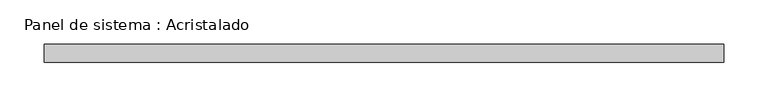
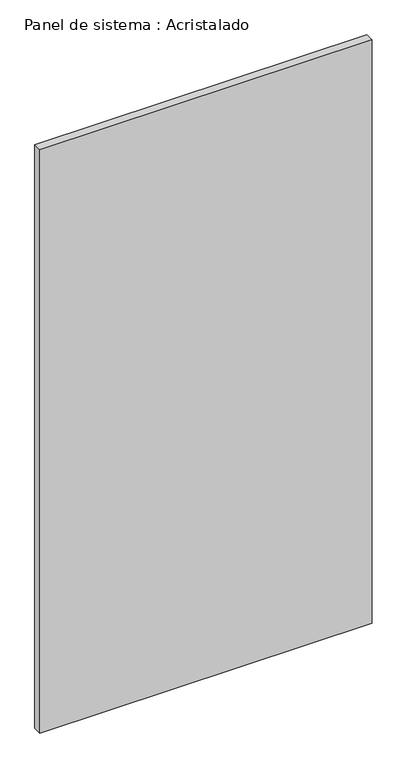
"""IFC4 building model written with IfcOpenShell, lengths in millimetres: plate geometry, Panel de sistema : Acristalado."""

from ifc_helpers import new_model, si_unit, origin, origin_with_axes, place, context, project, spatial, polyline, outline, extrude, source, transform, mapped, element, save


def panel_de_sistema_acristalado_d5eaedf1(model_context):
    return source(origin(), model_context, "Body", "SweptSolid", [
        extrude(outline(polyline([(382.527151, -10.0), (-382.527151, -10.0), (-382.527151, 10.0), (382.527151, 10.0), (382.527151, -10.0)])), origin_with_axes(), (0.0, 0.0, 1.0), 1419.2228533),
    ])


if __name__ == "__main__":
    model = new_model("IFC4")
    model_context = context("Model", 3, world=origin())
    ifc_project = project(units=[si_unit("LENGTHUNIT", "METRE", prefix="MILLI")], contexts=[model_context])
    site = spatial("IfcSite", under=ifc_project)
    building = spatial("IfcBuilding", under=site)
    placement = place(None, origin())
    panel_de_sistema_acristalado_shape = panel_de_sistema_acristalado_d5eaedf1(model_context)
    element("IfcPlate", 1, ObjectType="Panel de sistema : Acristalado", at=placement, inside=building, context=model_context, shape_type="MappedRepresentation", body=[
        mapped(panel_de_sistema_acristalado_shape, transform((0.0, 0.0, 0.0), x_axis=(1.0, 0.0, 0.0), y_axis=(0.0, 1.0, 0.0), z_axis=(0.0, 0.0, 1.0))),
    ])
    save(model, "model.ifc")
